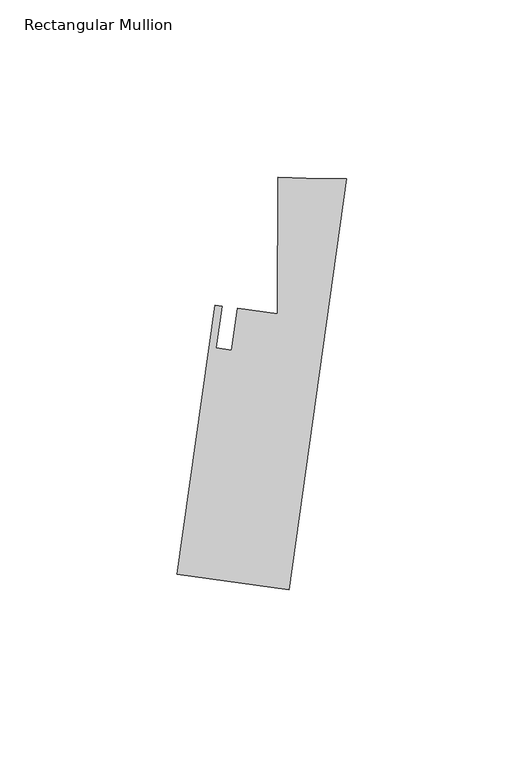
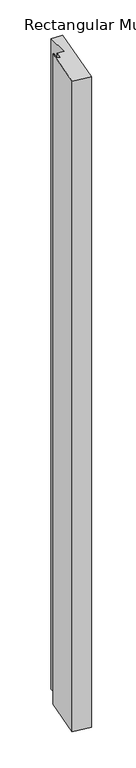
"""IFC4 building model written with IfcOpenShell, lengths in millimetres: member geometry, Rectangular Mullion."""

from ifc_helpers import new_model, si_unit, frame, origin, place, context, project, spatial, polyline, outline, extrude, source, transform, mapped, element, save


def rectangular_mullion_b6d6c9ac(model_context):
    return source(origin(), model_context, "Body", "SweptSolid", [
        extrude(outline(polyline([(-47.7197012, -111.7075847), (-37.0687359, -35.9221742), (-35.1068072, -36.1979058), (-36.7611888, -47.9694199), (-32.4349058, -48.5774405), (-30.7805233, -36.8059201), (-19.4249594, -38.4018436), (-19.3699134, 0.0328859), (-11.3980148, -0.183441), (0.0, -0.2976548), (-16.2786912, -116.126339), (-47.7197012, -111.7075847)])), frame((0.0, 0.0, -1187.45), z_axis=(0.0, 0.0, 1.0), x_axis=(1.0, 0.0, 0.0)), (0.0, 0.0, 1.0), 1187.45),
    ])


if __name__ == "__main__":
    model = new_model("IFC4")
    model_context = context("Model", 3, world=origin())
    ifc_project = project(units=[si_unit("LENGTHUNIT", "METRE", prefix="MILLI")], contexts=[model_context])
    site = spatial("IfcSite", under=ifc_project)
    building = spatial("IfcBuilding", under=site)
    placement = place(None, origin())
    rectangular_mullion_shape = rectangular_mullion_b6d6c9ac(model_context)
    element("IfcMember", 1, ObjectType="Rectangular Mullion", at=placement, inside=building, context=model_context, shape_type="MappedRepresentation", body=[
        mapped(rectangular_mullion_shape, transform((0.0, 0.0, 0.0), x_axis=(1.0, 0.0, 0.0), y_axis=(0.0, 1.0, 0.0), z_axis=(0.0, 0.0, 1.0))),
    ])
    save(model, "model.ifc")
